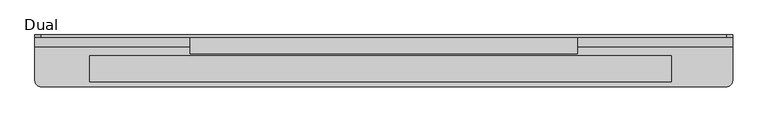
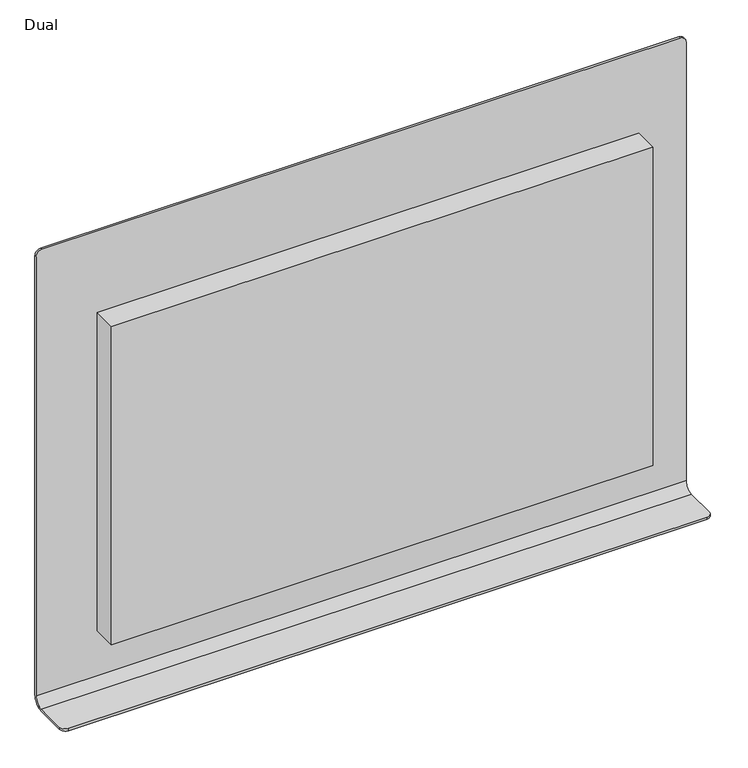
"""IFC4 building model written with IfcOpenShell, lengths in millimetres: furniture geometry, Dual."""

import ifcopenshell
import ifcopenshell.guid

model = None  # the IFC model being written
_history = None  # IfcOwnerHistory: only IFC2X3 demands one
_inside = {}  # id of a spatial element -> (the spatial element, [elements in it])
_under = {}  # id of a project, library or spatial element -> (it, [spatial elements below it])
_declared = {}  # id of a project -> (the project, [libraries it declares])
_typed = {}  # id of a type object -> (the type object, [elements of that type])
_made_of = {}  # id of a material, layer set ... -> (it, [elements and type objects made of it])


def new_model(schema):
    """Start an empty IFC model of exactly this schema.

    Asked for "IFC4X3", IfcOpenShell would pick the latest addendum, in which some entities
    have other attributes; the version numbers below select the first issue.
    IFC2X3 requires an IfcOwnerHistory on every rooted entity: one is made here for all.
    """
    global model, _history
    if schema == "IFC4X3":
        model = ifcopenshell.file(schema_version=(4, 3, 0, 0))
    else:
        model = ifcopenshell.file(schema=schema)
    _inside.clear()
    _under.clear()
    _declared.clear()
    _typed.clear()
    _made_of.clear()
    _history = None
    if model.schema == "IFC2X3":
        org = make("IfcOrganization", Name="unknown")
        user = make(
            "IfcPersonAndOrganization",
            ThePerson=make("IfcPerson", FamilyName="unknown"),
            TheOrganization=org,
        )
        app = make(
            "IfcApplication",
            ApplicationDeveloper=org,
            Version="unknown",
            ApplicationFullName="unknown",
            ApplicationIdentifier="unknown",
        )
        _history = make(
            "IfcOwnerHistory",
            OwningUser=user,
            OwningApplication=app,
            ChangeAction="ADDED",
            CreationDate=0,
        )
    return model


def make(cls, **values):
    """One entity of the class cls with the attributes given. An attribute that is None is left unset."""
    return model.create_entity(
        cls, **{name: value for name, value in values.items() if value is not None}
    )


def rooted(cls, **values):
    """An entity with a GlobalId (a new one), such as an element, a storey or a relation."""
    return make(cls, GlobalId=ifcopenshell.guid.new(), OwnerHistory=_history, **values)


def si_unit(unit_type, name, prefix=None):
    """IfcSIUnit, for example si_unit("LENGTHUNIT", "METRE", prefix="MILLI")."""
    return make("IfcSIUnit", UnitType=unit_type, Prefix=prefix, Name=name)


def assignment(units):
    """IfcUnitAssignment: the units of a project."""
    return None if units is None else make("IfcUnitAssignment", Units=units)


def point(xyz):
    """IfcCartesianPoint."""
    return None if xyz is None else make("IfcCartesianPoint", Coordinates=xyz)


def direction(xyz):
    """IfcDirection."""
    return None if xyz is None else make("IfcDirection", DirectionRatios=xyz)


def frame(location, z_axis=None, x_axis=None):
    """IfcAxis2Placement3D, a coordinate frame: its origin and axes. An axis left out is left unset."""
    return make(
        "IfcAxis2Placement3D",
        Location=point(location),
        Axis=direction(z_axis),
        RefDirection=direction(x_axis),
    )


def origin():
    """The frame at (0, 0, 0) with its axes left unset."""
    return frame((0.0, 0.0, 0.0))


def place(relative_to, where):
    """IfcLocalPlacement: puts the frame where relative to a parent placement (None: the world)."""
    return make(
        "IfcLocalPlacement", PlacementRelTo=relative_to, RelativePlacement=where
    )


def context(
    kind, dimensions, precision=None, world=None, true_north=None, identifier=None
):
    """IfcGeometricRepresentationContext, for example the 3D "Model" context."""
    return make(
        "IfcGeometricRepresentationContext",
        ContextIdentifier=identifier,
        ContextType=kind,
        CoordinateSpaceDimension=dimensions,
        Precision=precision,
        WorldCoordinateSystem=world,
        TrueNorth=true_north,
    )


def project(units=None, contexts=None):
    """IfcProject with its units and contexts."""
    return rooted(
        "IfcProject",
        Name="project",
        RepresentationContexts=contexts,
        UnitsInContext=assignment(units),
    )


def spatial(cls, under=None, at=None, **own):
    """A site, building, storey or space (cls), placed at a placement, below another one or the project."""
    s = rooted(cls, ObjectPlacement=at, **own)
    if under is not None:
        _under.setdefault(under.id(), (under, []))[1].append(s)
    return s


def polyline(points):
    """IfcPolyline through the points."""
    return make("IfcPolyline", Points=[point(p) for p in points])


def circle_curve(where, radius):
    """IfcCircle in the frame where."""
    return make("IfcCircle", Position=where, Radius=radius)


def outline(outer, holes=None, kind="AREA"):
    """IfcArbitraryClosedProfileDef: a profile drawn as a closed curve; with holes, ...WithVoids."""
    if holes is None:
        return make("IfcArbitraryClosedProfileDef", ProfileType=kind, OuterCurve=outer)
    return make(
        "IfcArbitraryProfileDefWithVoids",
        ProfileType=kind,
        OuterCurve=outer,
        InnerCurves=holes,
    )


def extrude(swept, where, along, depth):
    """IfcExtrudedAreaSolid: the profile swept, set in the frame where, extruded along a direction by depth."""
    return make(
        "IfcExtrudedAreaSolid",
        SweptArea=swept,
        Position=where,
        ExtrudedDirection=direction(along),
        Depth=depth,
    )


def shape(context_of_items, identifier, shape_type, items):
    """IfcShapeRepresentation: the items that make up one representation, for example the "Body"."""
    return make(
        "IfcShapeRepresentation",
        ContextOfItems=context_of_items,
        RepresentationIdentifier=identifier,
        RepresentationType=shape_type,
        Items=items,
    )


def source(mapping_origin, context_of_items, identifier, shape_type, items):
    """IfcRepresentationMap: a shape defined once, which mapped items show again and again."""
    return make(
        "IfcRepresentationMap",
        MappingOrigin=mapping_origin,
        MappedRepresentation=shape(context_of_items, identifier, shape_type, items),
    )


def transform(
    local_origin,
    x_axis=None,
    y_axis=None,
    z_axis=None,
    scale=None,
    scale2=None,
    scale3=None,
    uniform=True,
):
    """IfcCartesianTransformationOperator3D, or its non-uniform kind. x_axis, y_axis, z_axis: its Axis1, 2, 3."""
    if uniform:
        return make(
            "IfcCartesianTransformationOperator3D",
            Axis1=direction(x_axis),
            Axis2=direction(y_axis),
            LocalOrigin=point(local_origin),
            Scale=scale,
            Axis3=direction(z_axis),
        )
    return make(
        "IfcCartesianTransformationOperator3DnonUniform",
        Axis1=direction(x_axis),
        Axis2=direction(y_axis),
        LocalOrigin=point(local_origin),
        Scale=scale,
        Axis3=direction(z_axis),
        Scale2=scale2,
        Scale3=scale3,
    )


def mapped(mapping_source, mapping_target):
    """IfcMappedItem: shows the shape of a source again, moved by a transform."""
    return make(
        "IfcMappedItem", MappingSource=mapping_source, MappingTarget=mapping_target
    )


def made_of(thing, what):
    """Note that an element or type object is made of a material, layer set ...; save() writes the relation."""
    if what is not None:
        _made_of.setdefault(what.id(), (what, []))[1].append(thing)
    return thing


def element(
    cls,
    number,
    at=None,
    inside=None,
    cuts=None,
    type_object=None,
    material=None,
    context=None,
    identifier="Body",
    shape_type=None,
    held_by="IfcProductDefinitionShape",
    body=None,
    shapes=None,
    **own,
):
    """One element of the class cls, such as IfcWall. Its Tag is "e" and its number.

    at: its placement. inside: the storey or other place that contains it. cuts: it is an
    opening in that element (IfcRelVoidsElement). A single representation is given by context,
    identifier, shape_type and body (its items); several are given by shapes. held_by: the class
    of the entity that holds the representations. save() writes the other relations.
    """
    e = rooted(cls, Tag="e%d" % number, ObjectPlacement=at, **own)
    if body is not None:
        shapes = [shape(context, identifier, shape_type, body)]
    if shapes is not None:
        e.Representation = make(held_by, Representations=shapes)
    if inside is not None:
        _inside.setdefault(inside.id(), (inside, []))[1].append(e)
    if cuts is not None:
        rooted(
            "IfcRelVoidsElement", RelatingBuildingElement=cuts, RelatedOpeningElement=e
        )
    if type_object is not None:
        _typed.setdefault(type_object.id(), (type_object, []))[1].append(e)
    return made_of(e, material)


def aggregate(whole, parts):
    """IfcRelAggregates: a whole, such as a stair, and the parts it consists of."""
    return rooted("IfcRelAggregates", RelatingObject=whole, RelatedObjects=parts)


def save(model, path):
    """Write the relations noted so far, then the file.

    IfcRelAggregates (storeys below a building ...), IfcRelContainedInSpatialStructure (elements
    in a storey), IfcRelDefinesByType, IfcRelAssociatesMaterial and IfcRelDeclares: one each for
    every whole, place, type object, material and project.
    """
    for whole, parts in _under.values():
        aggregate(whole, parts)
    for where, things in _inside.values():
        rooted(
            "IfcRelContainedInSpatialStructure",
            RelatedElements=things,
            RelatingStructure=where,
        )
    for kind, things in _typed.values():
        rooted("IfcRelDefinesByType", RelatedObjects=things, RelatingType=kind)
    for what, things in _made_of.values():
        rooted("IfcRelAssociatesMaterial", RelatedObjects=things, RelatingMaterial=what)
    for by, libraries in _declared.values():
        rooted("IfcRelDeclares", RelatingContext=by, RelatedDefinitions=libraries)
    model.write(path)


def plane_surface(at):
    """IfcPlane: the flat surface through the origin of the frame at, square to its z axis."""
    return make("IfcPlane", Position=at)


def cylinder_surface(at, radius):
    """IfcCylindricalSurface: all points at the distance radius from the z axis of the frame at."""
    return make("IfcCylindricalSurface", Position=at, Radius=radius)


def revolved_surface(curve, axis_point, axis_direction):
    """IfcSurfaceOfRevolution: the curve turned about the line through axis_point along axis_direction."""
    return make(
        "IfcSurfaceOfRevolution",
        SweptCurve=make("IfcArbitraryOpenProfileDef", ProfileType="CURVE", Curve=curve),
        AxisPosition=make("IfcAxis1Placement", Location=point(axis_point), Axis=direction(axis_direction)),
    )


def advanced_brep(points, edges, surfaces, faces):
    """IfcAdvancedBrep: a solid bounded by faces that lie on surfaces and meet in shared edges.

    An edge is (start, end): straight between two places in points (the first is 0);
    or (start, end, curve); or (start, end, curve, False) where it runs against its curve.
    A face is (place in surfaces, loops), or (place, loops, False) where it looks against
    its surface's normal. A loop lists edges by number (the first is 1), with a minus sign
    where the edge is run from its end to its start. The first loop is the outer one.
    """
    corners = [point(p) for p in points]
    vertices = [make("IfcVertexPoint", VertexGeometry=c) for c in corners]
    made = []
    for start, end, *more in edges:
        made.append(
            make(
                "IfcEdgeCurve",
                EdgeStart=vertices[start],
                EdgeEnd=vertices[end],
                EdgeGeometry=more[0] if more else make("IfcPolyline", Points=[corners[start], corners[end]]),
                SameSense=more[1] if len(more) > 1 else True,
            )
        )
    hull = []
    for where, loops, *sense in faces:
        bounds = []
        for j, loop in enumerate(loops):
            ring = [make("IfcOrientedEdge", EdgeElement=made[abs(k) - 1], Orientation=k > 0) for k in loop]
            bounds.append(
                make(
                    "IfcFaceOuterBound" if j == 0 else "IfcFaceBound",
                    Bound=make("IfcEdgeLoop", EdgeList=ring),
                    Orientation=True,
                )
            )
        hull.append(make("IfcAdvancedFace", Bounds=bounds, FaceSurface=surfaces[where], SameSense=sense[0] if sense else True))
    return make("IfcAdvancedBrep", Outer=make("IfcClosedShell", CfsFaces=hull))


def dual_c2a1f92e(model_context):
    return source(origin(), model_context, "Body", "SolidModel", [
        extrude(outline(polyline([(781.05, -524.3972258), (-361.95, -524.3972258), (-361.95, -473.5972258), (781.05, -473.5972258), (781.05, -524.3972258)])), frame((0.0, 0.0, 1117.6), z_axis=(0.0, 0.0, 1.0), x_axis=(1.0, 0.0, 0.0)), (0.0, 0.0, 1.0), 711.2),
        extrude(outline(polyline([(-165.1, -468.8347258), (-165.1, -437.0847266), (596.9, -437.0847266), (596.9, -468.8347258), (-165.1, -468.8347258)])), frame((0.0, 0.0, 1257.3), z_axis=(0.0, 0.0, 1.0), x_axis=(1.0, 0.0, 0.0)), (0.0, 0.0, 1.0), 520.7),
        advanced_brep(
        [(-469.9, -437.0847266, 1968.5), (-469.9, -432.3222266, 1968.5), (-469.9, -432.3222266, 989.0125), (-469.9, -456.1347266, 965.2), (-469.9, -521.2222266, 965.2), (-469.9, -521.2222266, 969.9625), (-469.9, -456.1347266, 969.9625), (-469.9, -437.0847266, 989.0125), (901.7, -437.0847266, 989.0125), (901.7, -456.1347266, 969.9625), (901.7, -521.2222266, 969.9625), (901.7, -521.2222266, 965.2), (901.7, -456.1347266, 965.2), (901.7, -432.3222266, 989.0125), (901.7, -432.3222266, 1968.5), (901.7, -437.0847266, 1968.5), (889.0, -437.0847266, 1981.2), (-457.2, -437.0847266, 1981.2), (-457.2, -432.3222265, 1981.2), (889.0, -432.3222265, 1981.2), (889.0, -533.9222266, 965.2), (-457.2, -533.9222266, 965.2), (889.0, -533.9222266, 969.9625), (-457.2, -533.9222266, 969.9625)],
        [
            (0, 1),
            (1, 2),
            (2, 3, circle_curve(frame((-469.9, -456.1347266, 989.0125), z_axis=(-1.0, 0.0, 0.0), x_axis=(0.0, 1.0, 0.0)), 23.8125)),
            (3, 4),
            (4, 5),
            (5, 6),
            (6, 7, circle_curve(frame((-469.9, -456.1347266, 989.0125), z_axis=(1.0, 0.0, 0.0), x_axis=(0.0, 1.0, 0.0)), 19.05)),
            (7, 0),
            (8, 9, circle_curve(frame((901.7, -456.1347266, 989.0125), z_axis=(-1.0, 0.0, 0.0), x_axis=(0.0, 1.0, 0.0)), 19.05)),
            (9, 10),
            (10, 11),
            (11, 12),
            (12, 13, circle_curve(frame((901.7, -456.1347266, 989.0125), z_axis=(1.0, 0.0, 0.0), x_axis=(0.0, 1.0, 0.0)), 23.8125)),
            (13, 14),
            (14, 15),
            (15, 8),
            (7, 8),
            (15, 16, circle_curve(frame((889.0, -437.0847266, 1968.5), z_axis=(0.0, -1.0, 0.0), x_axis=(0.0, 0.0, 1.0)), 12.7)),
            (16, 17),
            (17, 0, circle_curve(frame((-457.2, -437.0847266, 1968.5), z_axis=(0.0, -1.0, 0.0), x_axis=(0.0, 0.0, 1.0)), 12.7)),
            (1, 18, circle_curve(frame((-457.2, -432.3222265, 1968.5), z_axis=(0.0, 1.0, 0.0), x_axis=(0.0, 0.0, 1.0)), 12.7)),
            (18, 19),
            (19, 14, circle_curve(frame((889.0, -432.3222265, 1968.5), z_axis=(0.0, 1.0, 0.0), x_axis=(0.0, 0.0, 1.0)), 12.7)),
            (13, 2),
            (12, 3),
            (11, 20, circle_curve(frame((889.0, -521.2222266, 965.2), z_axis=(0.0, 0.0, -1.0), x_axis=(1.0, 0.0, 0.0)), 12.7)),
            (20, 21),
            (21, 4, circle_curve(frame((-457.2, -521.2222266, 965.2), z_axis=(0.0, 0.0, -1.0), x_axis=(1.0, 0.0, 0.0)), 12.7)),
            (20, 22),
            (22, 23),
            (23, 21),
            (9, 6),
            (5, 23, circle_curve(frame((-457.2, -521.2222266, 969.9625), z_axis=(0.0, 0.0, 1.0), x_axis=(1.0, 0.0, 0.0)), 12.7)),
            (22, 10, circle_curve(frame((889.0, -521.2222266, 969.9625), z_axis=(0.0, 0.0, 1.0), x_axis=(1.0, 0.0, 0.0)), 12.7)),
            (18, 17),
            (16, 19),
        ],
        [
            plane_surface(frame((-469.9, -437.0847266, 1001.7125), z_axis=(-1.0, 0.0, 0.0), x_axis=(0.0, 0.0, 1.0))),
            plane_surface(frame((901.7, -437.0847266, 1001.7125), z_axis=(1.0, 0.0, 0.0), x_axis=(0.0, 0.0, -1.0))),
            plane_surface(frame((-469.9, -437.0847266, 989.0125), z_axis=(0.0, -1.0, 0.0), x_axis=(1.0, 0.0, 0.0))),
            plane_surface(frame((-469.9, -432.3222266, 1001.7125), z_axis=(0.0, 1.0, -2.2600588071079134e-11), x_axis=(1.0, 0.0, 0.0))),
            cylinder_surface(frame((901.7, -456.1347266, 989.0125), z_axis=(-1.0, 0.0, 0.0), x_axis=(0.0, 1.0, 0.0)), 23.8125),
            plane_surface(frame((-469.9, -456.1347266, 965.2), z_axis=(0.0, 0.0, -1.0), x_axis=(1.0, 0.0, 0.0))),
            plane_surface(frame((-469.9, -533.9222266, 965.2), z_axis=(0.0, -1.0, 0.0), x_axis=(1.0, 0.0, 0.0))),
            plane_surface(frame((-469.9, -533.9222266, 969.9625), z_axis=(0.0, -3.706422923694542e-12, 1.0), x_axis=(1.0, 0.0, 0.0))),
            revolved_surface(polyline([(901.7, -437.0847266, 989.0125), (-469.89999999999986, -437.0847266, 989.0125)]), (901.7, -456.1347266, 989.0125), (1.0, 0.0, 0.0)),
            plane_surface(frame((-457.2, -432.3222266, 1981.2), z_axis=(0.0, 0.0, 1.0), x_axis=(0.0, -1.0, 0.0))),
            cylinder_surface(frame((889.0, -437.0847266, 1968.5), z_axis=(0.0, 1.0, 0.0), x_axis=(0.0, 0.0, 1.0)), 12.7),
            cylinder_surface(frame((-457.2, -437.0847266, 1968.5), z_axis=(0.0, 1.0, 0.0), x_axis=(0.0, 0.0, 1.0)), 12.7),
            cylinder_surface(frame((-457.2, -521.2222266, 700.272573), z_axis=(0.0, 0.0, -1.0), x_axis=(1.0, 0.0, 0.0)), 12.7),
            cylinder_surface(frame((889.0, -521.2222266, 0.0), z_axis=(0.0, 0.0, -1.0), x_axis=(1.0, 0.0, 0.0)), 12.7),
        ],
        [
            (0, [[1, 2, 3, 4, 5, 6, 7, 8]]),
            (1, [[9, 10, 11, 12, 13, 14, 15, 16]]),
            (2, [[-8, 17, -16, 18, 19, 20]]),
            (3, [[-2, 21, 22, 23, -14, 24]]),
            (4, [[-3, -24, -13, 25]]),
            (5, [[-25, -12, 26, 27, 28, -4]]),
            (6, [[-27, 29, 30, 31]]),
            (7, [[32, -6, 33, -30, 34, -10]]),
            (8, [[-7, -32, -9, -17]]),
            (9, [[-22, 35, -19, 36]]),
            (10, [[-23, -36, -18, -15]]),
            (11, [[-21, -1, -20, -35]]),
            (12, [[-5, -28, -31, -33]]),
            (13, [[-11, -34, -29, -26]]),
        ],
    ),
    ])


if __name__ == "__main__":
    model = new_model("IFC4")
    model_context = context("Model", 3, world=origin())
    ifc_project = project(units=[si_unit("LENGTHUNIT", "METRE", prefix="MILLI")], contexts=[model_context])
    site = spatial("IfcSite", under=ifc_project)
    building = spatial("IfcBuilding", under=site)
    placement = place(None, origin())
    dual_shape = dual_c2a1f92e(model_context)
    element("IfcFurniture", 1, ObjectType="Dual", at=placement, inside=building, context=model_context, shape_type="MappedRepresentation", body=[
        mapped(dual_shape, transform((0.0, 0.0, 0.0), x_axis=(1.0, 0.0, 0.0), y_axis=(0.0, 1.0, 0.0), z_axis=(0.0, 0.0, 1.0))),
    ])
    save(model, "model.ifc")
